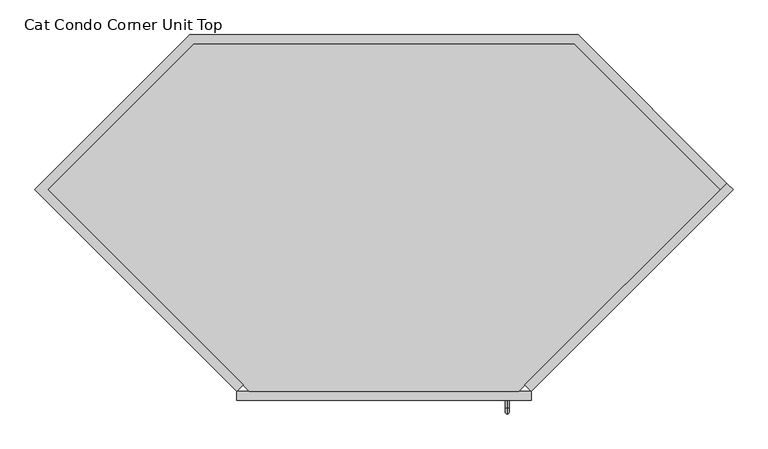
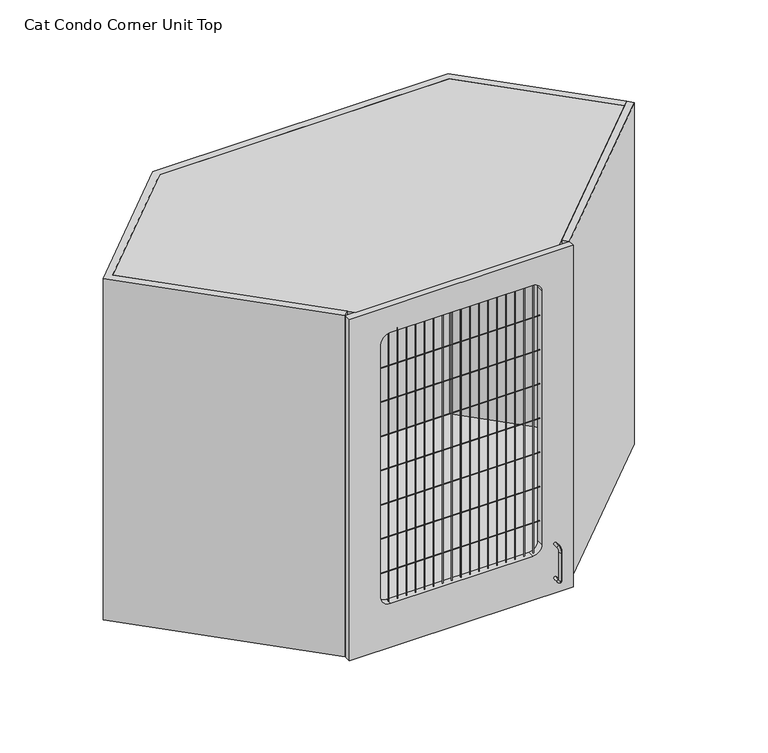
"""IFC4 building model written with IfcOpenShell, lengths in millimetres: proxy geometry, Cat Condo Corner Unit Top."""

from ifc_helpers import new_model, si_unit, point, frame, frame_2d, origin, place, context, project, spatial, polyline, circle_curve, ellipse_curve, trimmed, segment, composite_curve, outline, extrude, source, transform, mapped, element, save
from ifc_brep_helpers import plane_surface, cylinder_surface, revolved_surface, advanced_brep


def cat_condo_corner_unit_top_71b4e422(model_context):
    return source(origin(), model_context, "Body", "SolidModel", [
        advanced_brep(
        [(567.1128423, -19.05, 243.7243154), (567.1128423, -19.05, 251.5756846), (567.1128423, -35.2117768, 243.7243154), (567.1128423, -35.2117768, 251.5756846), (567.1128423, -48.3756846, 238.4117768), (567.1128423, -40.5243154, 238.4117768), (567.1128423, -40.5243154, 155.2882232), (567.1128423, -48.3756846, 155.2882232), (567.1128423, -35.2117768, 142.1243154), (567.1128423, -35.2117768, 149.9756846), (567.1128423, -19.05, 149.9756846), (567.1128423, -19.05, 142.1243154)],
        [
            (0, 1, circle_curve(frame((567.1128423, -19.05, 247.65), z_axis=(0.0, 1.0, 0.0), x_axis=(0.0, 0.0, 1.0)), 3.9256846)),
            (1, 0, circle_curve(frame((567.1128423, -19.05, 247.65), z_axis=(0.0, 1.0, 0.0), x_axis=(0.0, 0.0, 1.0)), 3.9256846)),
            (0, 2),
            (2, 3, circle_curve(frame((567.1128423, -35.2117768, 247.65), z_axis=(0.0, 1.0, 0.0), x_axis=(0.0, 0.0, 1.0)), 3.9256846)),
            (3, 1),
            (3, 2, circle_curve(frame((567.1128423, -35.2117768, 247.65), z_axis=(0.0, 1.0, 0.0), x_axis=(0.0, 0.0, 1.0)), 3.9256846)),
            (4, 3, circle_curve(frame((567.1128423, -35.2117768, 238.4117768), z_axis=(-1.0, 0.0, 0.0), x_axis=(0.0, 0.0, 1.0)), 13.1639078)),
            (2, 5, circle_curve(frame((567.1128423, -35.2117768, 238.4117768), z_axis=(1.0, 0.0, 0.0), x_axis=(0.0, 0.0, 1.0)), 5.3125387)),
            (5, 4, circle_curve(frame((567.1128423, -44.45, 238.4117768), z_axis=(0.0, 0.0, 1.0), x_axis=(0.0, -1.0, 0.0)), 3.9256846)),
            (4, 5, circle_curve(frame((567.1128423, -44.45, 238.4117768), z_axis=(0.0, 0.0, 1.0), x_axis=(0.0, -1.0, 0.0)), 3.9256846)),
            (5, 6),
            (6, 7, circle_curve(frame((567.1128423, -44.45, 155.2882232), z_axis=(0.0, 0.0, 1.0), x_axis=(0.0, -1.0, 0.0)), 3.9256846)),
            (7, 4),
            (7, 6, circle_curve(frame((567.1128423, -44.45, 155.2882232), z_axis=(0.0, 0.0, 1.0), x_axis=(0.0, -1.0, 0.0)), 3.9256846)),
            (8, 7, circle_curve(frame((567.1128423, -35.2117768, 155.2882232), z_axis=(-1.0, 0.0, 0.0), x_axis=(0.0, -1.0, 0.0)), 13.1639078)),
            (6, 9, circle_curve(frame((567.1128423, -35.2117768, 155.2882232), z_axis=(1.0, 0.0, 0.0), x_axis=(0.0, -1.0, 0.0)), 5.3125387)),
            (9, 8, circle_curve(frame((567.1128423, -35.2117768, 146.05), z_axis=(0.0, -1.0, 0.0), x_axis=(0.0, 0.0, -1.0)), 3.9256846)),
            (8, 9, circle_curve(frame((567.1128423, -35.2117768, 146.05), z_axis=(0.0, -1.0, 0.0), x_axis=(0.0, 0.0, -1.0)), 3.9256846)),
            (10, 11, circle_curve(frame((567.1128423, -19.05, 146.05), z_axis=(0.0, 1.0, 0.0), x_axis=(0.0, 0.0, -1.0)), 3.9256846)),
            (11, 10, circle_curve(frame((567.1128423, -19.05, 146.05), z_axis=(0.0, 1.0, 0.0), x_axis=(0.0, 0.0, -1.0)), 3.9256846)),
            (9, 10),
            (11, 8),
        ],
        [
            plane_surface(frame((567.1128423, -19.05, 247.65), z_axis=(0.0, 1.0, 0.0), x_axis=(1.0, 0.0, 0.0))),
            cylinder_surface(frame((567.1128423, -19.05, 247.65), z_axis=(0.0, 1.0, 0.0), x_axis=(0.0, 0.0, 1.0)), 3.9256846),
            revolved_surface(trimmed(ellipse_curve(frame((567.1128423, -35.2117768, 247.65), z_axis=(0.0, 1.0, 0.0), x_axis=(0.0, 0.0, 1.0)), 3.9256846, 3.9256846), [point((567.1128423, -35.2117768, 243.7243154))], [point((567.1128423, -35.2117768, 251.5756846))], True, "CARTESIAN"), (567.1128423, -35.2117768, 238.4117768), (1.0, 0.0, 0.0)),
            revolved_surface(trimmed(ellipse_curve(frame((567.1128423, -35.2117768, 247.65), z_axis=(0.0, 1.0, 0.0), x_axis=(0.0, 0.0, 1.0)), 3.9256846, 3.9256846), [point((567.1128423, -35.2117768, 251.5756846))], [point((567.1128423, -35.2117768, 243.7243154))], True, "CARTESIAN"), (567.1128423, -35.2117768, 238.4117768), (1.0, 0.0, 0.0)),
            cylinder_surface(frame((567.1128423, -44.45, 238.4117768), z_axis=(0.0, 0.0, 1.0), x_axis=(0.0, -1.0, 0.0)), 3.9256846),
            revolved_surface(trimmed(ellipse_curve(frame((567.1128423, -44.45, 155.2882232), z_axis=(0.0, 0.0, 1.0), x_axis=(0.0, -1.0, 0.0)), 3.9256846, 3.9256846), [point((567.1128423, -40.5243154, 155.2882232))], [point((567.1128423, -48.3756846, 155.2882232))], True, "CARTESIAN"), (567.1128423, -35.2117768, 155.2882232), (1.0, 0.0, 0.0)),
            revolved_surface(trimmed(ellipse_curve(frame((567.1128423, -44.45, 155.2882232), z_axis=(0.0, 0.0, 1.0), x_axis=(0.0, -1.0, 0.0)), 3.9256846, 3.9256846), [point((567.1128423, -48.3756846, 155.2882232))], [point((567.1128423, -40.5243154, 155.2882232))], True, "CARTESIAN"), (567.1128423, -35.2117768, 155.2882232), (1.0, 0.0, 0.0)),
            plane_surface(frame((567.1128423, -19.05, 146.05), z_axis=(0.0, 1.0, 0.0), x_axis=(1.0, 0.0, 0.0))),
            cylinder_surface(frame((567.1128423, -35.2117768, 146.05), z_axis=(0.0, -1.0, 0.0), x_axis=(0.0, 0.0, -1.0)), 3.9256846),
        ],
        [
            (0, [[1, 2]]),
            (1, [[-1, 3, 4, 5]]),
            (1, [[-2, -5, 6, -3]]),
            (2, [[7, -4, 8, 9]]),
            (3, [[-8, -6, -7, 10]]),
            (4, [[-9, 11, 12, 13]]),
            (4, [[-10, -13, 14, -11]]),
            (5, [[15, -12, 16, 17]]),
            (6, [[-16, -14, -15, 18]]),
            (7, [[19, 20]]),
            (8, [[-17, 21, -20, 22]]),
            (8, [[-18, -22, -19, -21]]),
        ],
    ),
        extrude(outline(polyline([(1035.8671158, 444.522678), (1049.3375, 431.0522938), (618.2852062, 0.0), (604.814822, 13.4703842), (1035.8671158, 444.522678)])), frame((0.0, 0.0, 101.6), z_axis=(0.0, 0.0, 1.0), x_axis=(1.0, 0.0, 0.0)), (0.0, 0.0, 1.0), 1012.825),
        extrude(outline(polyline([(-110.3772938, 762.0), (718.3897938, 762.0), (1035.8671158, 444.522678), (1022.3967316, 431.0522938), (710.4990254, 742.95), (-102.4865254, 742.95), (-414.3842316, 431.0522938), (3.197678, 13.4703842), (-10.2727062, 0.0), (-441.325, 431.0522938), (-110.3772938, 762.0)])), frame((0.0, 0.0, 101.6), z_axis=(0.0, 0.0, 1.0), x_axis=(1.0, 0.0, 0.0)), (0.0, 0.0, 1.0), 1012.825),
        extrude(outline(polyline([(1022.3967316, 431.0522938), (591.3444378, 0.0), (16.6680622, 0.0), (-414.3842316, 431.0522938), (-102.4865254, 742.95), (710.4990254, 742.95), (1022.3967316, 431.0522938)])), frame((0.0, 0.0, 1095.375), z_axis=(0.0, 0.0, 1.0), x_axis=(1.0, 0.0, 0.0)), (0.0, 0.0, 1.0), 19.05),
        extrude(outline(polyline([(-102.4865254, 742.95), (710.4990254, 742.95), (1022.3967316, 431.0522938), (610.3944378, 19.05), (-2.3819378, 19.05), (-414.3842316, 431.0522938), (-102.4865254, 742.95)])), frame((0.0, 0.0, 101.6), z_axis=(0.0, 0.0, 1.0), x_axis=(1.0, 0.0, 0.0)), (0.0, 0.0, 1.0), 19.05),
        extrude(outline(composite_curve([segment(trimmed(circle_curve(frame_2d((-9.6602248, 931.8625)), 0.79375), [point((-9.6602248, 932.65625))], [point((-9.6602248, 931.06875))], False, "CARTESIAN"), True, "CONTINUOUS"), segment(trimmed(circle_curve(frame_2d((-9.6602248, 931.8625)), 0.79375), [point((-9.6602248, 931.06875))], [point((-9.6602248, 932.65625))], False, "CARTESIAN"), True, "CONTINUOUS")], self_intersect=False)), frame((78.58125, 0.0, 0.0), z_axis=(1.0, 0.0, 0.0), x_axis=(0.0, 1.0, 0.0)), (0.0, 0.0, 1.0), 450.85),
        extrude(outline(composite_curve([segment(trimmed(circle_curve(frame_2d((-9.6602248, 830.2625)), 0.79375), [point((-9.6602248, 831.05625))], [point((-9.6602248, 829.46875))], False, "CARTESIAN"), True, "CONTINUOUS"), segment(trimmed(circle_curve(frame_2d((-9.6602248, 830.2625)), 0.79375), [point((-9.6602248, 829.46875))], [point((-9.6602248, 831.05625))], False, "CARTESIAN"), True, "CONTINUOUS")], self_intersect=False)), frame((78.58125, 0.0, 0.0), z_axis=(1.0, 0.0, 0.0), x_axis=(0.0, 1.0, 0.0)), (0.0, 0.0, 1.0), 450.85),
        extrude(outline(composite_curve([segment(trimmed(circle_curve(frame_2d((-9.6602248, 728.6625)), 0.79375), [point((-9.6602248, 729.45625))], [point((-9.6602248, 727.86875))], False, "CARTESIAN"), True, "CONTINUOUS"), segment(trimmed(circle_curve(frame_2d((-9.6602248, 728.6625)), 0.79375), [point((-9.6602248, 727.86875))], [point((-9.6602248, 729.45625))], False, "CARTESIAN"), True, "CONTINUOUS")], self_intersect=False)), frame((78.58125, 0.0, 0.0), z_axis=(1.0, 0.0, 0.0), x_axis=(0.0, 1.0, 0.0)), (0.0, 0.0, 1.0), 450.85),
        extrude(outline(composite_curve([segment(trimmed(circle_curve(frame_2d((-9.6602248, 627.0625)), 0.79375), [point((-9.6602248, 627.85625))], [point((-9.6602248, 626.26875))], False, "CARTESIAN"), True, "CONTINUOUS"), segment(trimmed(circle_curve(frame_2d((-9.6602248, 627.0625)), 0.79375), [point((-9.6602248, 626.26875))], [point((-9.6602248, 627.85625))], False, "CARTESIAN"), True, "CONTINUOUS")], self_intersect=False)), frame((78.58125, 0.0, 0.0), z_axis=(1.0, 0.0, 0.0), x_axis=(0.0, 1.0, 0.0)), (0.0, 0.0, 1.0), 450.85),
        extrude(outline(composite_curve([segment(trimmed(circle_curve(frame_2d((-9.6602248, 525.4625)), 0.79375), [point((-9.6602248, 526.25625))], [point((-9.6602248, 524.66875))], False, "CARTESIAN"), True, "CONTINUOUS"), segment(trimmed(circle_curve(frame_2d((-9.6602248, 525.4625)), 0.79375), [point((-9.6602248, 524.66875))], [point((-9.6602248, 526.25625))], False, "CARTESIAN"), True, "CONTINUOUS")], self_intersect=False)), frame((78.58125, 0.0, 0.0), z_axis=(1.0, 0.0, 0.0), x_axis=(0.0, 1.0, 0.0)), (0.0, 0.0, 1.0), 450.85),
        extrude(outline(composite_curve([segment(trimmed(circle_curve(frame_2d((-9.6602248, 423.8625)), 0.79375), [point((-9.6602248, 424.65625))], [point((-9.6602248, 423.06875))], False, "CARTESIAN"), True, "CONTINUOUS"), segment(trimmed(circle_curve(frame_2d((-9.6602248, 423.8625)), 0.79375), [point((-9.6602248, 423.06875))], [point((-9.6602248, 424.65625))], False, "CARTESIAN"), True, "CONTINUOUS")], self_intersect=False)), frame((78.58125, 0.0, 0.0), z_axis=(1.0, 0.0, 0.0), x_axis=(0.0, 1.0, 0.0)), (0.0, 0.0, 1.0), 450.85),
        extrude(outline(composite_curve([segment(trimmed(circle_curve(frame_2d((-9.6602248, 322.2625)), 0.79375), [point((-9.6602248, 323.05625))], [point((-9.6602248, 321.46875))], False, "CARTESIAN"), True, "CONTINUOUS"), segment(trimmed(circle_curve(frame_2d((-9.6602248, 322.2625)), 0.79375), [point((-9.6602248, 321.46875))], [point((-9.6602248, 323.05625))], False, "CARTESIAN"), True, "CONTINUOUS")], self_intersect=False)), frame((78.58125, 0.0, 0.0), z_axis=(1.0, 0.0, 0.0), x_axis=(0.0, 1.0, 0.0)), (0.0, 0.0, 1.0), 450.85),
        extrude(outline(composite_curve([segment(trimmed(circle_curve(frame_2d((511.0919665, -9.6602248)), 0.79375), [point((510.2982165, -9.6602248))], [point((511.8857165, -9.6602248))], False, "CARTESIAN"), True, "CONTINUOUS"), segment(trimmed(circle_curve(frame_2d((511.0919665, -9.6602248)), 0.79375), [point((511.8857165, -9.6602248))], [point((510.2982165, -9.6602248))], False, "CARTESIAN"), True, "CONTINUOUS")], self_intersect=False)), frame((0.0, 0.0, 231.775), z_axis=(0.0, 0.0, 1.0), x_axis=(1.0, 0.0, 0.0)), (0.0, 0.0, 1.0), 803.275),
        extrude(outline(composite_curve([segment(trimmed(circle_curve(frame_2d((485.6919665, -9.6602248)), 0.79375), [point((484.8982165, -9.6602248))], [point((486.4857165, -9.6602248))], False, "CARTESIAN"), True, "CONTINUOUS"), segment(trimmed(circle_curve(frame_2d((485.6919665, -9.6602248)), 0.79375), [point((486.4857165, -9.6602248))], [point((484.8982165, -9.6602248))], False, "CARTESIAN"), True, "CONTINUOUS")], self_intersect=False)), frame((0.0, 0.0, 231.775), z_axis=(0.0, 0.0, 1.0), x_axis=(1.0, 0.0, 0.0)), (0.0, 0.0, 1.0), 803.275),
        extrude(outline(composite_curve([segment(trimmed(circle_curve(frame_2d((460.2919665, -9.6602248)), 0.79375), [point((459.4982165, -9.6602248))], [point((461.0857165, -9.6602248))], False, "CARTESIAN"), True, "CONTINUOUS"), segment(trimmed(circle_curve(frame_2d((460.2919665, -9.6602248)), 0.79375), [point((461.0857165, -9.6602248))], [point((459.4982165, -9.6602248))], False, "CARTESIAN"), True, "CONTINUOUS")], self_intersect=False)), frame((0.0, 0.0, 231.775), z_axis=(0.0, 0.0, 1.0), x_axis=(1.0, 0.0, 0.0)), (0.0, 0.0, 1.0), 803.275),
        extrude(outline(composite_curve([segment(trimmed(circle_curve(frame_2d((434.8919665, -9.6602248)), 0.79375), [point((434.0982165, -9.6602248))], [point((435.6857165, -9.6602248))], False, "CARTESIAN"), True, "CONTINUOUS"), segment(trimmed(circle_curve(frame_2d((434.8919665, -9.6602248)), 0.79375), [point((435.6857165, -9.6602248))], [point((434.0982165, -9.6602248))], False, "CARTESIAN"), True, "CONTINUOUS")], self_intersect=False)), frame((0.0, 0.0, 231.775), z_axis=(0.0, 0.0, 1.0), x_axis=(1.0, 0.0, 0.0)), (0.0, 0.0, 1.0), 803.275),
        extrude(outline(composite_curve([segment(trimmed(circle_curve(frame_2d((409.4919665, -9.6602248)), 0.79375), [point((408.6982165, -9.6602248))], [point((410.2857165, -9.6602248))], False, "CARTESIAN"), True, "CONTINUOUS"), segment(trimmed(circle_curve(frame_2d((409.4919665, -9.6602248)), 0.79375), [point((410.2857165, -9.6602248))], [point((408.6982165, -9.6602248))], False, "CARTESIAN"), True, "CONTINUOUS")], self_intersect=False)), frame((0.0, 0.0, 231.775), z_axis=(0.0, 0.0, 1.0), x_axis=(1.0, 0.0, 0.0)), (0.0, 0.0, 1.0), 803.275),
        extrude(outline(composite_curve([segment(trimmed(circle_curve(frame_2d((384.0919665, -9.6602248)), 0.79375), [point((383.2982165, -9.6602248))], [point((384.8857165, -9.6602248))], False, "CARTESIAN"), True, "CONTINUOUS"), segment(trimmed(circle_curve(frame_2d((384.0919665, -9.6602248)), 0.79375), [point((384.8857165, -9.6602248))], [point((383.2982165, -9.6602248))], False, "CARTESIAN"), True, "CONTINUOUS")], self_intersect=False)), frame((0.0, 0.0, 231.775), z_axis=(0.0, 0.0, 1.0), x_axis=(1.0, 0.0, 0.0)), (0.0, 0.0, 1.0), 803.275),
        extrude(outline(composite_curve([segment(trimmed(circle_curve(frame_2d((358.6919665, -9.6602248)), 0.79375), [point((357.8982165, -9.6602248))], [point((359.4857165, -9.6602248))], False, "CARTESIAN"), True, "CONTINUOUS"), segment(trimmed(circle_curve(frame_2d((358.6919665, -9.6602248)), 0.79375), [point((359.4857165, -9.6602248))], [point((357.8982165, -9.6602248))], False, "CARTESIAN"), True, "CONTINUOUS")], self_intersect=False)), frame((0.0, 0.0, 231.775), z_axis=(0.0, 0.0, 1.0), x_axis=(1.0, 0.0, 0.0)), (0.0, 0.0, 1.0), 803.275),
        extrude(outline(composite_curve([segment(trimmed(circle_curve(frame_2d((333.2919665, -9.6602248)), 0.79375), [point((332.4982165, -9.6602248))], [point((334.0857165, -9.6602248))], False, "CARTESIAN"), True, "CONTINUOUS"), segment(trimmed(circle_curve(frame_2d((333.2919665, -9.6602248)), 0.79375), [point((334.0857165, -9.6602248))], [point((332.4982165, -9.6602248))], False, "CARTESIAN"), True, "CONTINUOUS")], self_intersect=False)), frame((0.0, 0.0, 231.775), z_axis=(0.0, 0.0, 1.0), x_axis=(1.0, 0.0, 0.0)), (0.0, 0.0, 1.0), 803.275),
        extrude(outline(composite_curve([segment(trimmed(circle_curve(frame_2d((307.8919665, -9.6602248)), 0.79375), [point((307.0982165, -9.6602248))], [point((308.6857165, -9.6602248))], False, "CARTESIAN"), True, "CONTINUOUS"), segment(trimmed(circle_curve(frame_2d((307.8919665, -9.6602248)), 0.79375), [point((308.6857165, -9.6602248))], [point((307.0982165, -9.6602248))], False, "CARTESIAN"), True, "CONTINUOUS")], self_intersect=False)), frame((0.0, 0.0, 231.775), z_axis=(0.0, 0.0, 1.0), x_axis=(1.0, 0.0, 0.0)), (0.0, 0.0, 1.0), 803.275),
        extrude(outline(composite_curve([segment(trimmed(circle_curve(frame_2d((282.4919665, -9.6602248)), 0.79375), [point((281.6982165, -9.6602248))], [point((283.2857165, -9.6602248))], False, "CARTESIAN"), True, "CONTINUOUS"), segment(trimmed(circle_curve(frame_2d((282.4919665, -9.6602248)), 0.79375), [point((283.2857165, -9.6602248))], [point((281.6982165, -9.6602248))], False, "CARTESIAN"), True, "CONTINUOUS")], self_intersect=False)), frame((0.0, 0.0, 231.775), z_axis=(0.0, 0.0, 1.0), x_axis=(1.0, 0.0, 0.0)), (0.0, 0.0, 1.0), 803.275),
        extrude(outline(composite_curve([segment(trimmed(circle_curve(frame_2d((257.0919665, -9.6602248)), 0.79375), [point((256.2982165, -9.6602248))], [point((257.8857165, -9.6602248))], False, "CARTESIAN"), True, "CONTINUOUS"), segment(trimmed(circle_curve(frame_2d((257.0919665, -9.6602248)), 0.79375), [point((257.8857165, -9.6602248))], [point((256.2982165, -9.6602248))], False, "CARTESIAN"), True, "CONTINUOUS")], self_intersect=False)), frame((0.0, 0.0, 231.775), z_axis=(0.0, 0.0, 1.0), x_axis=(1.0, 0.0, 0.0)), (0.0, 0.0, 1.0), 803.275),
        extrude(outline(composite_curve([segment(trimmed(circle_curve(frame_2d((231.6919665, -9.6602248)), 0.79375), [point((230.8982165, -9.6602248))], [point((232.4857165, -9.6602248))], False, "CARTESIAN"), True, "CONTINUOUS"), segment(trimmed(circle_curve(frame_2d((231.6919665, -9.6602248)), 0.79375), [point((232.4857165, -9.6602248))], [point((230.8982165, -9.6602248))], False, "CARTESIAN"), True, "CONTINUOUS")], self_intersect=False)), frame((0.0, 0.0, 231.775), z_axis=(0.0, 0.0, 1.0), x_axis=(1.0, 0.0, 0.0)), (0.0, 0.0, 1.0), 803.275),
        extrude(outline(composite_curve([segment(trimmed(circle_curve(frame_2d((206.2919665, -9.6602248)), 0.79375), [point((205.4982165, -9.6602248))], [point((207.0857165, -9.6602248))], False, "CARTESIAN"), True, "CONTINUOUS"), segment(trimmed(circle_curve(frame_2d((206.2919665, -9.6602248)), 0.79375), [point((207.0857165, -9.6602248))], [point((205.4982165, -9.6602248))], False, "CARTESIAN"), True, "CONTINUOUS")], self_intersect=False)), frame((0.0, 0.0, 231.775), z_axis=(0.0, 0.0, 1.0), x_axis=(1.0, 0.0, 0.0)), (0.0, 0.0, 1.0), 803.275),
        extrude(outline(composite_curve([segment(trimmed(circle_curve(frame_2d((180.8919665, -9.6602248)), 0.79375), [point((180.0982165, -9.6602248))], [point((181.6857165, -9.6602248))], False, "CARTESIAN"), True, "CONTINUOUS"), segment(trimmed(circle_curve(frame_2d((180.8919665, -9.6602248)), 0.79375), [point((181.6857165, -9.6602248))], [point((180.0982165, -9.6602248))], False, "CARTESIAN"), True, "CONTINUOUS")], self_intersect=False)), frame((0.0, 0.0, 231.775), z_axis=(0.0, 0.0, 1.0), x_axis=(1.0, 0.0, 0.0)), (0.0, 0.0, 1.0), 803.275),
        extrude(outline(composite_curve([segment(trimmed(circle_curve(frame_2d((155.4919665, -9.6602248)), 0.79375), [point((154.6982165, -9.6602248))], [point((156.2857165, -9.6602248))], False, "CARTESIAN"), True, "CONTINUOUS"), segment(trimmed(circle_curve(frame_2d((155.4919665, -9.6602248)), 0.79375), [point((156.2857165, -9.6602248))], [point((154.6982165, -9.6602248))], False, "CARTESIAN"), True, "CONTINUOUS")], self_intersect=False)), frame((0.0, 0.0, 231.775), z_axis=(0.0, 0.0, 1.0), x_axis=(1.0, 0.0, 0.0)), (0.0, 0.0, 1.0), 803.275),
        extrude(outline(composite_curve([segment(trimmed(circle_curve(frame_2d((130.0919665, -9.6602248)), 0.79375), [point((129.2982165, -9.6602248))], [point((130.8857165, -9.6602248))], False, "CARTESIAN"), True, "CONTINUOUS"), segment(trimmed(circle_curve(frame_2d((130.0919665, -9.6602248)), 0.79375), [point((130.8857165, -9.6602248))], [point((129.2982165, -9.6602248))], False, "CARTESIAN"), True, "CONTINUOUS")], self_intersect=False)), frame((0.0, 0.0, 231.775), z_axis=(0.0, 0.0, 1.0), x_axis=(1.0, 0.0, 0.0)), (0.0, 0.0, 1.0), 803.275),
        extrude(outline(composite_curve([segment(trimmed(circle_curve(frame_2d((104.6919665, -9.6602248)), 0.79375), [point((103.8982165, -9.6602248))], [point((105.4857165, -9.6602248))], False, "CARTESIAN"), True, "CONTINUOUS"), segment(trimmed(circle_curve(frame_2d((104.6919665, -9.6602248)), 0.79375), [point((105.4857165, -9.6602248))], [point((103.8982165, -9.6602248))], False, "CARTESIAN"), True, "CONTINUOUS")], self_intersect=False)), frame((0.0, 0.0, 231.775), z_axis=(0.0, 0.0, 1.0), x_axis=(1.0, 0.0, 0.0)), (0.0, 0.0, 1.0), 803.275),
        extrude(outline(polyline([(1114.425, 618.2852062), (1114.425, -10.2727062), (101.6, -10.2727062), (101.6, 618.2852062), (1114.425, 618.2852062)]), holes=[composite_curve([segment(polyline([(1035.05, 103.98125), (1035.05, 504.03125)]), True, "CONTINUOUS"), segment(trimmed(circle_curve(frame_2d((1009.65, 504.03125)), 25.4), [point((1035.05, 504.03125))], [point((1009.65, 529.43125))], True, "CARTESIAN"), True, "CONTINUOUS"), segment(polyline([(1009.65, 529.43125), (257.175, 529.43125)]), True, "CONTINUOUS"), segment(trimmed(circle_curve(frame_2d((257.175, 504.03125)), 25.4), [point((257.175, 529.43125))], [point((231.775, 504.03125))], True, "CARTESIAN"), True, "CONTINUOUS"), segment(polyline([(231.775, 504.03125), (231.775, 103.98125)]), True, "CONTINUOUS"), segment(trimmed(circle_curve(frame_2d((257.175, 103.98125)), 25.4), [point((231.775, 103.98125))], [point((257.175, 78.58125))], True, "CARTESIAN"), True, "CONTINUOUS"), segment(polyline([(257.175, 78.58125), (1009.65, 78.58125)]), True, "CONTINUOUS"), segment(trimmed(circle_curve(frame_2d((1009.65, 103.98125)), 25.4), [point((1009.65, 78.58125))], [point((1035.05, 103.98125))], True, "CARTESIAN"), True, "CONTINUOUS")], self_intersect=False)]), frame((0.0, -19.05, 0.0), z_axis=(0.0, 1.0, 0.0), x_axis=(0.0, 0.0, 1.0)), (0.0, 0.0, 1.0), 19.05),
    ])


if __name__ == "__main__":
    model = new_model("IFC4")
    model_context = context("Model", 3, world=origin())
    ifc_project = project(units=[si_unit("LENGTHUNIT", "METRE", prefix="MILLI")], contexts=[model_context])
    site = spatial("IfcSite", under=ifc_project)
    building = spatial("IfcBuilding", under=site)
    placement = place(None, origin())
    cat_condo_corner_unit_top_shape = cat_condo_corner_unit_top_71b4e422(model_context)
    element("IfcBuildingElementProxy", 1, Name="Cat Condo Corner Unit Top", ObjectType="Cat Condo Corner Unit Top", at=placement, inside=building, context=model_context, shape_type="MappedRepresentation", body=[
        mapped(cat_condo_corner_unit_top_shape, transform((0.0, 0.0, 0.0), x_axis=(1.0, 0.0, 0.0), y_axis=(0.0, 1.0, 0.0), z_axis=(0.0, 0.0, 1.0))),
    ])
    save(model, "model.ifc")
